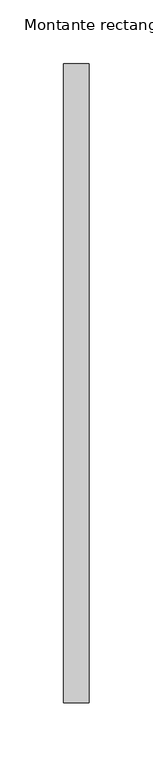
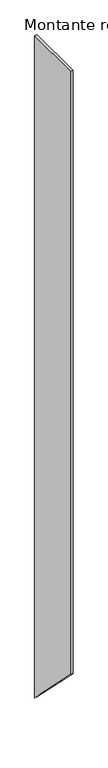
"""IFC4 building model written with IfcOpenShell, lengths in millimetres: member geometry, Montante rectangular."""

from ifc_helpers import new_model, si_unit, frame, origin, place, context, project, spatial, polyline, outline, extrude, source, transform, mapped, element, save


def montante_rectangular_f64f5be6(model_context):
    return source(origin(), model_context, "Body", "SweptSolid", [
        extrude(outline(polyline([(-250.0, 0.0), (250.0, 0.0), (250.0, -5644.7551098), (-250.0, -5144.7551098), (-250.0, 0.0)])), frame((-20.0, 0.0, 0.0), z_axis=(1.0, 0.0, 0.0), x_axis=(0.0, 1.0, 0.0)), (0.0, 0.0, 1.0), 20.0),
    ])


if __name__ == "__main__":
    model = new_model("IFC4")
    model_context = context("Model", 3, world=origin())
    ifc_project = project(units=[si_unit("LENGTHUNIT", "METRE", prefix="MILLI")], contexts=[model_context])
    site = spatial("IfcSite", under=ifc_project)
    building = spatial("IfcBuilding", under=site)
    placement = place(None, origin())
    montante_rectangular_shape = montante_rectangular_f64f5be6(model_context)
    element("IfcMember", 1, ObjectType="Montante rectangular", at=placement, inside=building, context=model_context, shape_type="MappedRepresentation", body=[
        mapped(montante_rectangular_shape, transform((0.0, 0.0, 0.0), x_axis=(1.0, 0.0, 0.0), y_axis=(0.0, 1.0, 0.0), z_axis=(0.0, 0.0, 1.0))),
    ])
    save(model, "model.ifc")
